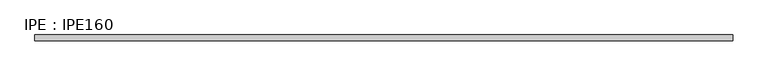
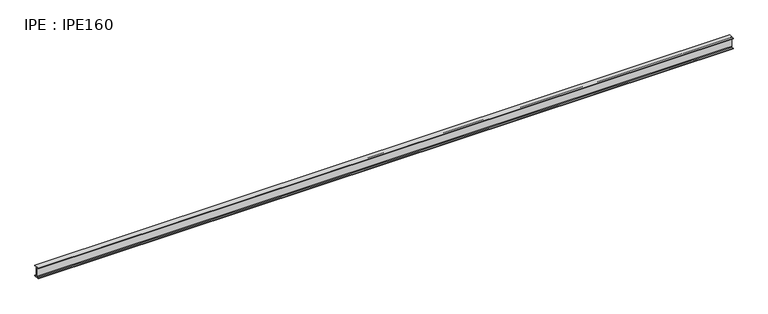
"""IFC4 building model written with IfcOpenShell, lengths in millimetres: beam geometry, IPE : IPE160."""

import ifcopenshell
import ifcopenshell.guid

model = None  # the IFC model being written
_history = None  # IfcOwnerHistory: only IFC2X3 demands one
_inside = {}  # id of a spatial element -> (the spatial element, [elements in it])
_under = {}  # id of a project, library or spatial element -> (it, [spatial elements below it])
_declared = {}  # id of a project -> (the project, [libraries it declares])
_typed = {}  # id of a type object -> (the type object, [elements of that type])
_made_of = {}  # id of a material, layer set ... -> (it, [elements and type objects made of it])


def new_model(schema):
    """Start an empty IFC model of exactly this schema.

    Asked for "IFC4X3", IfcOpenShell would pick the latest addendum, in which some entities
    have other attributes; the version numbers below select the first issue.
    IFC2X3 requires an IfcOwnerHistory on every rooted entity: one is made here for all.
    """
    global model, _history
    if schema == "IFC4X3":
        model = ifcopenshell.file(schema_version=(4, 3, 0, 0))
    else:
        model = ifcopenshell.file(schema=schema)
    _inside.clear()
    _under.clear()
    _declared.clear()
    _typed.clear()
    _made_of.clear()
    _history = None
    if model.schema == "IFC2X3":
        org = make("IfcOrganization", Name="unknown")
        user = make(
            "IfcPersonAndOrganization",
            ThePerson=make("IfcPerson", FamilyName="unknown"),
            TheOrganization=org,
        )
        app = make(
            "IfcApplication",
            ApplicationDeveloper=org,
            Version="unknown",
            ApplicationFullName="unknown",
            ApplicationIdentifier="unknown",
        )
        _history = make(
            "IfcOwnerHistory",
            OwningUser=user,
            OwningApplication=app,
            ChangeAction="ADDED",
            CreationDate=0,
        )
    return model


def make(cls, **values):
    """One entity of the class cls with the attributes given. An attribute that is None is left unset."""
    return model.create_entity(
        cls, **{name: value for name, value in values.items() if value is not None}
    )


def rooted(cls, **values):
    """An entity with a GlobalId (a new one), such as an element, a storey or a relation."""
    return make(cls, GlobalId=ifcopenshell.guid.new(), OwnerHistory=_history, **values)


def si_unit(unit_type, name, prefix=None):
    """IfcSIUnit, for example si_unit("LENGTHUNIT", "METRE", prefix="MILLI")."""
    return make("IfcSIUnit", UnitType=unit_type, Prefix=prefix, Name=name)


def assignment(units):
    """IfcUnitAssignment: the units of a project."""
    return None if units is None else make("IfcUnitAssignment", Units=units)


def point(xyz):
    """IfcCartesianPoint."""
    return None if xyz is None else make("IfcCartesianPoint", Coordinates=xyz)


def direction(xyz):
    """IfcDirection."""
    return None if xyz is None else make("IfcDirection", DirectionRatios=xyz)


def frame(location, z_axis=None, x_axis=None):
    """IfcAxis2Placement3D, a coordinate frame: its origin and axes. An axis left out is left unset."""
    return make(
        "IfcAxis2Placement3D",
        Location=point(location),
        Axis=direction(z_axis),
        RefDirection=direction(x_axis),
    )


def frame_2d(location, x_axis=None):
    """IfcAxis2Placement2D, a coordinate frame in the plane: its origin and x axis."""
    return make(
        "IfcAxis2Placement2D", Location=point(location), RefDirection=direction(x_axis)
    )


def origin():
    """The frame at (0, 0, 0) with its axes left unset."""
    return frame((0.0, 0.0, 0.0))


def place(relative_to, where):
    """IfcLocalPlacement: puts the frame where relative to a parent placement (None: the world)."""
    return make(
        "IfcLocalPlacement", PlacementRelTo=relative_to, RelativePlacement=where
    )


def context(
    kind, dimensions, precision=None, world=None, true_north=None, identifier=None
):
    """IfcGeometricRepresentationContext, for example the 3D "Model" context."""
    return make(
        "IfcGeometricRepresentationContext",
        ContextIdentifier=identifier,
        ContextType=kind,
        CoordinateSpaceDimension=dimensions,
        Precision=precision,
        WorldCoordinateSystem=world,
        TrueNorth=true_north,
    )


def project(units=None, contexts=None):
    """IfcProject with its units and contexts."""
    return rooted(
        "IfcProject",
        Name="project",
        RepresentationContexts=contexts,
        UnitsInContext=assignment(units),
    )


def spatial(cls, under=None, at=None, **own):
    """A site, building, storey or space (cls), placed at a placement, below another one or the project."""
    s = rooted(cls, ObjectPlacement=at, **own)
    if under is not None:
        _under.setdefault(under.id(), (under, []))[1].append(s)
    return s


def polyline(points):
    """IfcPolyline through the points."""
    return make("IfcPolyline", Points=[point(p) for p in points])


def circle_curve(where, radius):
    """IfcCircle in the frame where."""
    return make("IfcCircle", Position=where, Radius=radius)


def trimmed(basis, trim1, trim2, sense, master):
    """IfcTrimmedCurve: the piece of a basis curve between two trims."""
    return make(
        "IfcTrimmedCurve",
        BasisCurve=basis,
        Trim1=trim1,
        Trim2=trim2,
        SenseAgreement=sense,
        MasterRepresentation=master,
    )


def segment(curve, same_sense, transition):
    """IfcCompositeCurveSegment."""
    return make(
        "IfcCompositeCurveSegment",
        Transition=transition,
        SameSense=same_sense,
        ParentCurve=curve,
    )


def composite_curve(segments, self_intersect=None):
    """IfcCompositeCurve: segments joined end to end."""
    return make("IfcCompositeCurve", Segments=segments, SelfIntersect=self_intersect)


def outline(outer, holes=None, kind="AREA"):
    """IfcArbitraryClosedProfileDef: a profile drawn as a closed curve; with holes, ...WithVoids."""
    if holes is None:
        return make("IfcArbitraryClosedProfileDef", ProfileType=kind, OuterCurve=outer)
    return make(
        "IfcArbitraryProfileDefWithVoids",
        ProfileType=kind,
        OuterCurve=outer,
        InnerCurves=holes,
    )


def extrude(swept, where, along, depth):
    """IfcExtrudedAreaSolid: the profile swept, set in the frame where, extruded along a direction by depth."""
    return make(
        "IfcExtrudedAreaSolid",
        SweptArea=swept,
        Position=where,
        ExtrudedDirection=direction(along),
        Depth=depth,
    )


def shape(context_of_items, identifier, shape_type, items):
    """IfcShapeRepresentation: the items that make up one representation, for example the "Body"."""
    return make(
        "IfcShapeRepresentation",
        ContextOfItems=context_of_items,
        RepresentationIdentifier=identifier,
        RepresentationType=shape_type,
        Items=items,
    )


def source(mapping_origin, context_of_items, identifier, shape_type, items):
    """IfcRepresentationMap: a shape defined once, which mapped items show again and again."""
    return make(
        "IfcRepresentationMap",
        MappingOrigin=mapping_origin,
        MappedRepresentation=shape(context_of_items, identifier, shape_type, items),
    )


def transform(
    local_origin,
    x_axis=None,
    y_axis=None,
    z_axis=None,
    scale=None,
    scale2=None,
    scale3=None,
    uniform=True,
):
    """IfcCartesianTransformationOperator3D, or its non-uniform kind. x_axis, y_axis, z_axis: its Axis1, 2, 3."""
    if uniform:
        return make(
            "IfcCartesianTransformationOperator3D",
            Axis1=direction(x_axis),
            Axis2=direction(y_axis),
            LocalOrigin=point(local_origin),
            Scale=scale,
            Axis3=direction(z_axis),
        )
    return make(
        "IfcCartesianTransformationOperator3DnonUniform",
        Axis1=direction(x_axis),
        Axis2=direction(y_axis),
        LocalOrigin=point(local_origin),
        Scale=scale,
        Axis3=direction(z_axis),
        Scale2=scale2,
        Scale3=scale3,
    )


def mapped(mapping_source, mapping_target):
    """IfcMappedItem: shows the shape of a source again, moved by a transform."""
    return make(
        "IfcMappedItem", MappingSource=mapping_source, MappingTarget=mapping_target
    )


def made_of(thing, what):
    """Note that an element or type object is made of a material, layer set ...; save() writes the relation."""
    if what is not None:
        _made_of.setdefault(what.id(), (what, []))[1].append(thing)
    return thing


def element(
    cls,
    number,
    at=None,
    inside=None,
    cuts=None,
    type_object=None,
    material=None,
    context=None,
    identifier="Body",
    shape_type=None,
    held_by="IfcProductDefinitionShape",
    body=None,
    shapes=None,
    **own,
):
    """One element of the class cls, such as IfcWall. Its Tag is "e" and its number.

    at: its placement. inside: the storey or other place that contains it. cuts: it is an
    opening in that element (IfcRelVoidsElement). A single representation is given by context,
    identifier, shape_type and body (its items); several are given by shapes. held_by: the class
    of the entity that holds the representations. save() writes the other relations.
    """
    e = rooted(cls, Tag="e%d" % number, ObjectPlacement=at, **own)
    if body is not None:
        shapes = [shape(context, identifier, shape_type, body)]
    if shapes is not None:
        e.Representation = make(held_by, Representations=shapes)
    if inside is not None:
        _inside.setdefault(inside.id(), (inside, []))[1].append(e)
    if cuts is not None:
        rooted(
            "IfcRelVoidsElement", RelatingBuildingElement=cuts, RelatedOpeningElement=e
        )
    if type_object is not None:
        _typed.setdefault(type_object.id(), (type_object, []))[1].append(e)
    return made_of(e, material)


def aggregate(whole, parts):
    """IfcRelAggregates: a whole, such as a stair, and the parts it consists of."""
    return rooted("IfcRelAggregates", RelatingObject=whole, RelatedObjects=parts)


def save(model, path):
    """Write the relations noted so far, then the file.

    IfcRelAggregates (storeys below a building ...), IfcRelContainedInSpatialStructure (elements
    in a storey), IfcRelDefinesByType, IfcRelAssociatesMaterial and IfcRelDeclares: one each for
    every whole, place, type object, material and project.
    """
    for whole, parts in _under.values():
        aggregate(whole, parts)
    for where, things in _inside.values():
        rooted(
            "IfcRelContainedInSpatialStructure",
            RelatedElements=things,
            RelatingStructure=where,
        )
    for kind, things in _typed.values():
        rooted("IfcRelDefinesByType", RelatedObjects=things, RelatingType=kind)
    for what, things in _made_of.values():
        rooted("IfcRelAssociatesMaterial", RelatedObjects=things, RelatingMaterial=what)
    for by, libraries in _declared.values():
        rooted("IfcRelDeclares", RelatingContext=by, RelatedDefinitions=libraries)
    model.write(path)


def ipe_ipe160_436f6a17(model_context):
    return source(origin(), model_context, "Body", "SweptSolid", [
        extrude(outline(composite_curve([segment(polyline([(41.0, -72.6), (41.0, -80.0), (-41.0, -80.0), (-41.0, -72.6), (-11.5, -72.6)]), True, "CONTINUOUS"), segment(trimmed(circle_curve(frame_2d((-11.5, -63.6)), 9.0), [point((-11.5, -72.6))], [point((-2.5, -63.6))], True, "CARTESIAN"), True, "CONTINUOUS"), segment(polyline([(-2.5, -63.6), (-2.5, 63.6)]), True, "CONTINUOUS"), segment(trimmed(circle_curve(frame_2d((-11.5, 63.6)), 9.0), [point((-2.5, 63.6))], [point((-11.5, 72.6))], True, "CARTESIAN"), True, "CONTINUOUS"), segment(polyline([(-11.5, 72.6), (-41.0, 72.6), (-41.0, 80.0), (41.0, 80.0), (41.0, 72.6), (11.5, 72.6)]), True, "CONTINUOUS"), segment(trimmed(circle_curve(frame_2d((11.5, 63.6)), 9.0), [point((11.5, 72.6))], [point((2.5, 63.6))], True, "CARTESIAN"), True, "CONTINUOUS"), segment(polyline([(2.5, 63.6), (2.5, -63.6)]), True, "CONTINUOUS"), segment(trimmed(circle_curve(frame_2d((11.5, -63.6)), 9.0), [point((2.5, -63.6))], [point((11.5, -72.6))], True, "CARTESIAN"), True, "CONTINUOUS"), segment(polyline([(11.5, -72.6), (41.0, -72.6)]), True, "CONTINUOUS")], self_intersect=False)), frame((-4967.6, 0.0, 0.0), z_axis=(1.0, 0.0, 0.0), x_axis=(0.0, 1.0, 0.0)), (0.0, 0.0, 1.0), 9935.2),
    ])


if __name__ == "__main__":
    model = new_model("IFC4")
    model_context = context("Model", 3, world=origin())
    ifc_project = project(units=[si_unit("LENGTHUNIT", "METRE", prefix="MILLI")], contexts=[model_context])
    site = spatial("IfcSite", under=ifc_project)
    building = spatial("IfcBuilding", under=site)
    placement = place(None, origin())
    ipe_ipe160_shape = ipe_ipe160_436f6a17(model_context)
    element("IfcBeam", 1, ObjectType="IPE : IPE160", at=placement, inside=building, context=model_context, shape_type="MappedRepresentation", body=[
        mapped(ipe_ipe160_shape, transform((0.0, 0.0, 0.0), x_axis=(1.0, 0.0, 0.0), y_axis=(0.0, 1.0, 0.0), z_axis=(0.0, 0.0, 1.0))),
    ])
    save(model, "model.ifc")
